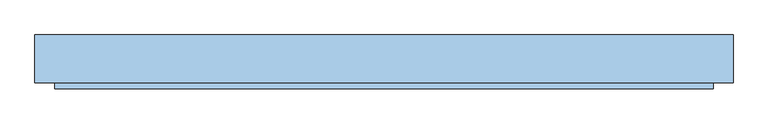
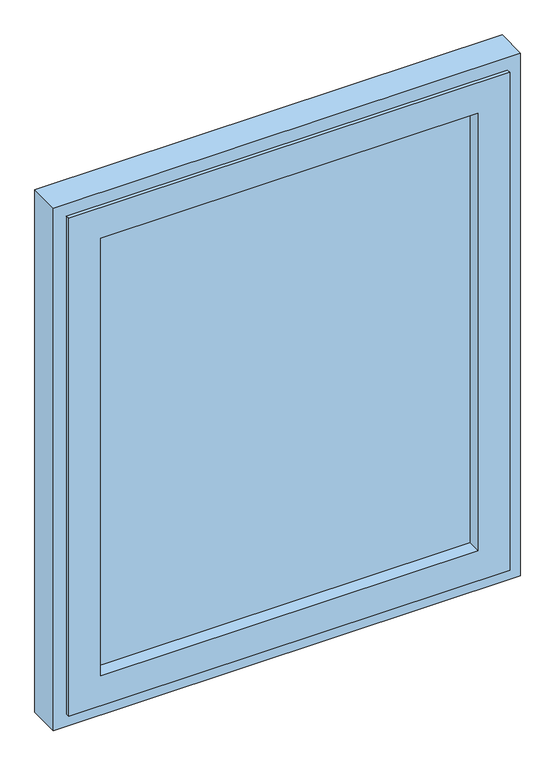
"""IFC4 building model written with IfcOpenShell, lengths in millimetres: window geometry."""

from ifc_helpers import new_model, si_unit, frame, origin, place, context, project, spatial, polyline, outline, extrude, faceted_brep, source, transform, mapped, element, save


def window_61bdd5f3(model_context):
    return source(origin(), model_context, "Body", "SolidModel", [
        extrude(outline(polyline([(443.9958924, -9.7), (-443.9958924, -9.7), (-443.9958924, -3.7), (443.9958924, -3.7), (443.9958924, -9.7)])), frame((0.0, 0.0, 1006.0041076), z_axis=(0.0, 0.0, 1.0), x_axis=(1.0, 0.0, 0.0)), (0.0, 0.0, 1.0), 1087.9917847),
        extrude(outline(polyline([(443.9958924, 9.3), (-443.9958924, 9.3), (-443.9958924, 15.3), (443.9958924, 15.3), (443.9958924, 9.3)])), frame((0.0, 0.0, 1006.0041076), z_axis=(0.0, 0.0, 1.0), x_axis=(1.0, 0.0, 0.0)), (0.0, 0.0, 1.0), 1087.9917847),
        extrude(outline(polyline([(443.9958924, 28.3), (-443.9958924, 28.3), (-443.9958924, 34.3), (443.9958924, 34.3), (443.9958924, 28.3)])), frame((0.0, 0.0, 1006.0041076), z_axis=(0.0, 0.0, 1.0), x_axis=(1.0, 0.0, 0.0)), (0.0, 0.0, 1.0), 1087.9917847),
        faceted_brep([(518.9958924, -32.7, 2168.9958924), (518.9958924, -42.2, 2168.9958924), (518.9958924, -42.2, 931.0041076), (518.9958924, -32.7, 931.0041076), (-518.9958924, -42.2, 2168.9958924), (-518.9958924, -42.2, 931.0041076), (443.9958924, -42.2, 1006.0041076), (-443.9958924, -42.2, 1006.0041076), (-443.9958924, -42.2, 2093.9958924), (443.9958924, -42.2, 2093.9958924), (-518.9958924, -32.7, 931.0041076), (-518.9958924, -32.7, 2168.9958924), (493.9958924, -32.7, 2143.9958924), (-493.9958924, -32.7, 2143.9958924), (-493.9958924, -32.7, 956.0041076), (493.9958924, -32.7, 956.0041076), (493.9958924, 37.3, 2143.9958924), (493.9958924, 37.3, 956.0041076), (-493.9958924, 37.3, 956.0041076), (-493.9958924, 37.3, 2143.9958924), (485.9958924, 37.3, 2135.9958924), (-485.9958924, 37.3, 2135.9958924), (-485.9958924, 37.3, 964.0041076), (485.9958924, 37.3, 964.0041076), (485.9958924, 42.3, 2135.9958924), (485.9958924, 42.3, 964.0041076), (-485.9958924, 42.3, 964.0041076), (-485.9958924, 42.3, 2135.9958924), (443.9958924, 42.3, 2093.9958924), (-443.9958924, 42.3, 2093.9958924), (-443.9958924, 42.3, 1006.0041076), (443.9958924, 42.3, 1006.0041076)], [[[0, 1, 2, 3]], [[1, 4, 5, 2], [6, 7, 8, 9]], [[3, 2, 5, 10]], [[3, 10, 11, 0], [12, 13, 14, 15]], [[16, 12, 15, 17]], [[17, 15, 14, 18]], [[17, 18, 19, 16], [20, 21, 22, 23]], [[24, 20, 23, 25]], [[25, 23, 22, 26]], [[25, 26, 27, 24], [28, 29, 30, 31]], [[9, 28, 31, 6]], [[6, 31, 30, 7]], [[10, 5, 4, 11]], [[18, 14, 13, 19]], [[26, 22, 21, 27]], [[7, 30, 29, 8]], [[11, 4, 1, 0]], [[19, 13, 12, 16]], [[27, 21, 20, 24]], [[8, 29, 28, 9]]]),
        faceted_brep([(491.0, 37.3, 2141.0), (491.0, 42.3, 2141.0), (491.0, 42.3, 959.0), (491.0, 37.3, 959.0), (550.0, 42.3, 900.0), (-550.0, 42.3, 900.0), (-550.0, 42.3, 2200.0), (550.0, 42.3, 2200.0), (-491.0, 42.3, 2141.0), (-491.0, 42.3, 959.0), (-491.0, 37.3, 959.0), (513.0, 37.3, 2163.0), (-513.0, 37.3, 2163.0), (-513.0, 37.3, 937.0), (513.0, 37.3, 937.0), (-491.0, 37.3, 2141.0), (513.0, -32.7, 2163.0), (513.0, -32.7, 937.0), (-513.0, -32.7, 937.0), (550.0, -32.7, 2200.0), (-550.0, -32.7, 2200.0), (-550.0, -32.7, 900.0), (550.0, -32.7, 900.0), (-513.0, -32.7, 2163.0)], [[[0, 1, 2, 3]], [[4, 5, 6, 7], [1, 8, 9, 2]], [[3, 2, 9, 10]], [[11, 12, 13, 14], [3, 10, 15, 0]], [[16, 11, 14, 17]], [[17, 14, 13, 18]], [[19, 20, 21, 22], [17, 18, 23, 16]], [[7, 19, 22, 4]], [[4, 22, 21, 5]], [[10, 9, 8, 15]], [[18, 13, 12, 23]], [[5, 21, 20, 6]], [[15, 8, 1, 0]], [[23, 12, 11, 16]], [[6, 20, 19, 7]]]),
    ])


if __name__ == "__main__":
    model = new_model("IFC4")
    model_context = context("Model", 3, world=origin())
    ifc_project = project(units=[si_unit("LENGTHUNIT", "METRE", prefix="MILLI")], contexts=[model_context])
    site = spatial("IfcSite", under=ifc_project)
    building = spatial("IfcBuilding", under=site)
    placement = place(None, origin())
    window_shape = window_61bdd5f3(model_context)
    element("IfcWindow", 1, at=placement, inside=building, context=model_context, shape_type="MappedRepresentation", body=[
        mapped(window_shape, transform((0.0, 0.0, 0.0), x_axis=(1.0, 0.0, 0.0), y_axis=(0.0, 1.0, 0.0), z_axis=(0.0, 0.0, 1.0))),
    ])
    save(model, "model.ifc")
